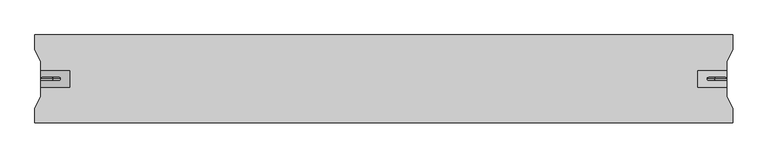
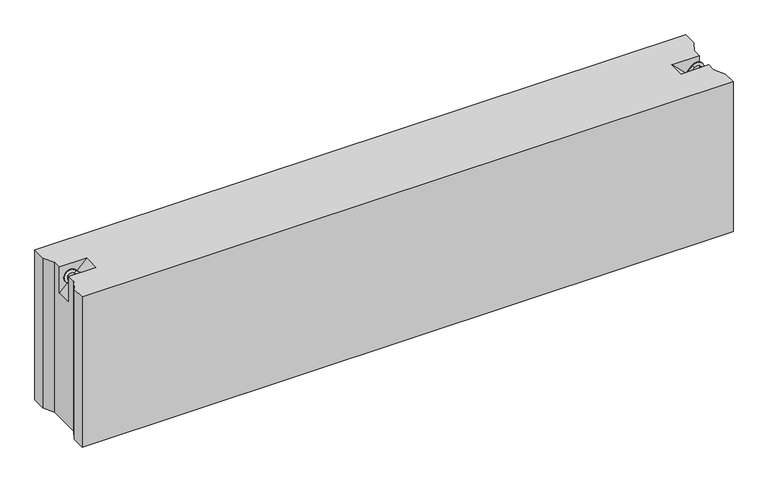
"""IFC4 building model written with IfcOpenShell, lengths in millimetres: proxy geometry."""

from ifc_helpers import new_model, si_unit, point, frame, origin, place, context, project, spatial, circle_curve, ellipse_curve, trimmed, faceted_brep, source, transform, mapped, element, save
from ifc_brep_helpers import plane_surface, cylinder_surface, revolved_surface, advanced_brep


def generic_models_301a7378(model_context):
    return source(origin(), model_context, "Body", "SolidModel", [
        advanced_brep(
        [(2292.3223305, 0.0, 547.6776695), (2299.3933983, 0.0, 540.6066017), (2324.3933983, 0.0, 565.6066017), (2317.3223305, 0.0, 572.6776695), (2345.6066017, 0.0, 544.3933983), (2352.6776695, 0.0, 537.3223305), (2327.6776695, 0.0, 512.3223305), (2320.6066017, 0.0, 519.3933983)],
        [
            (0, 1, circle_curve(frame((2295.8578644, 0.0, 544.1421356), z_axis=(-0.7071067811865482, 0.0, -0.7071067811865468), x_axis=(0.7071067811865468, 0.0, -0.7071067811865482)), 5.0)),
            (1, 0, circle_curve(frame((2295.8578644, 0.0, 544.1421356), z_axis=(-0.7071067811865482, 0.0, -0.7071067811865468), x_axis=(0.7071067811865468, 0.0, -0.7071067811865482)), 5.0)),
            (1, 2),
            (2, 3, circle_curve(frame((2320.8578644, 0.0, 569.1421356), z_axis=(-0.7071067811865482, 0.0, -0.7071067811865468), x_axis=(0.7071067811865468, 0.0, -0.7071067811865482)), 5.0)),
            (3, 0),
            (3, 2, circle_curve(frame((2320.8578644, 0.0, 569.1421356), z_axis=(-0.7071067811865482, 0.0, -0.7071067811865468), x_axis=(0.7071067811865468, 0.0, -0.7071067811865482)), 5.0)),
            (4, 5, circle_curve(frame((2349.1421356, 0.0, 540.8578644), z_axis=(0.7071067811865457, 0.0, 0.7071067811865493), x_axis=(-0.7071067811865493, 0.0, 0.7071067811865457)), 5.0)),
            (5, 3, circle_curve(frame((2335.0, 0.0, 555.0), z_axis=(0.0, -1.0, 0.0), x_axis=(-0.7071067811865468, 0.0, 0.7071067811865482)), 25.0)),
            (2, 4, circle_curve(frame((2335.0, 0.0, 555.0), z_axis=(0.0, 1.0, 0.0), x_axis=(-0.7071067811865468, 0.0, 0.7071067811865482)), 15.0)),
            (5, 4, circle_curve(frame((2349.1421356, 0.0, 540.8578644), z_axis=(0.7071067811865459, 0.0, 0.7071067811865491), x_axis=(-0.7071067811865491, 0.0, 0.7071067811865459)), 5.0)),
            (6, 7, circle_curve(frame((2324.1421356, 0.0, 515.8578644), z_axis=(-0.7071067811865505, 0.0, -0.7071067811865446), x_axis=(-0.7071067811865446, 0.0, 0.7071067811865505)), 5.0)),
            (7, 6, circle_curve(frame((2324.1421356, 0.0, 515.8578644), z_axis=(-0.7071067811865505, 0.0, -0.7071067811865446), x_axis=(-0.7071067811865446, 0.0, 0.7071067811865505)), 5.0)),
            (4, 7),
            (6, 5),
        ],
        [
            plane_surface(frame((2292.3223305, 0.0, 547.6776695), z_axis=(-0.7071067811865482, 0.0, -0.7071067811865468), x_axis=(0.0, -1.0, 0.0))),
            cylinder_surface(frame((2295.8578644, 0.0, 544.1421356), z_axis=(-0.7071067811865482, 0.0, -0.7071067811865468), x_axis=(0.7071067811865468, 0.0, -0.7071067811865482)), 5.0),
            revolved_surface(trimmed(ellipse_curve(frame((2320.8578644, 0.0, 569.1421356), z_axis=(0.7071067811865482, 0.0, 0.7071067811865468), x_axis=(0.7071067811865468, 0.0, -0.7071067811865482)), 5.0, 5.0), [point((2317.3223305, 0.0, 572.6776695))], [point((2324.3933983, 0.0, 565.6066017))], True, "CARTESIAN"), (2335.0, 0.0, 555.0), (0.0, -1.0, 0.0)),
            revolved_surface(trimmed(ellipse_curve(frame((2320.8578644, 0.0, 569.1421356), z_axis=(0.7071067811865482, 0.0, 0.7071067811865468), x_axis=(0.7071067811865468, 0.0, -0.7071067811865482)), 5.0, 5.0), [point((2324.3933983, 0.0, 565.6066017))], [point((2317.3223305, 0.0, 572.6776695))], True, "CARTESIAN"), (2335.0, 0.0, 555.0), (0.0, -1.0, 0.0)),
            plane_surface(frame((2327.6776695, 0.0, 512.3223305), z_axis=(-0.7071067811865505, 0.0, -0.7071067811865446), x_axis=(0.0, -1.0, 0.0))),
            cylinder_surface(frame((2349.1421356, 0.0, 540.8578644), z_axis=(0.7071067811865505, 0.0, 0.7071067811865446), x_axis=(-0.7071067811865446, 0.0, 0.7071067811865505)), 5.0),
        ],
        [
            (0, [[1, 2]]),
            (1, [[3, 4, 5, -2]]),
            (1, [[-5, 6, -3, -1]]),
            (2, [[7, 8, -4, 9]]),
            (3, [[10, -9, -6, -8]]),
            (4, [[11, 12]]),
            (5, [[13, -11, 14, -7]]),
            (5, [[-14, -12, -13, -10]]),
        ],
    ),
        advanced_brep(
        [(87.6776695, 0.0, 547.6776695), (80.6066017, 0.0, 540.6066017), (62.6776695, 0.0, 572.6776695), (55.6066017, 0.0, 565.6066017), (34.3933983, 0.0, 544.3933983), (27.3223305, 0.0, 537.3223305), (52.3223305, 0.0, 512.3223305), (59.3933983, 0.0, 519.3933983)],
        [
            (0, 1, circle_curve(frame((84.1421356, 0.0, 544.1421356), z_axis=(0.707106781186546, 0.0, -0.707106781186549), x_axis=(-0.707106781186549, 0.0, -0.707106781186546)), 5.0)),
            (1, 0, circle_curve(frame((84.1421356, 0.0, 544.1421356), z_axis=(0.707106781186546, 0.0, -0.707106781186549), x_axis=(-0.707106781186549, 0.0, -0.707106781186546)), 5.0)),
            (0, 2),
            (2, 3, circle_curve(frame((59.1421356, 0.0, 569.1421356), z_axis=(0.707106781186546, 0.0, -0.707106781186549), x_axis=(-0.707106781186549, 0.0, -0.707106781186546)), 5.0)),
            (3, 1),
            (3, 2, circle_curve(frame((59.1421356, 0.0, 569.1421356), z_axis=(0.707106781186546, 0.0, -0.707106781186549), x_axis=(-0.707106781186549, 0.0, -0.707106781186546)), 5.0)),
            (4, 3, circle_curve(frame((45.0, 0.0, 555.0), z_axis=(0.0, 1.0, 0.0), x_axis=(0.707106781186549, 0.0, 0.707106781186546)), 15.0)),
            (2, 5, circle_curve(frame((45.0, 0.0, 555.0), z_axis=(0.0, -1.0, 0.0), x_axis=(0.707106781186549, 0.0, 0.707106781186546)), 25.0)),
            (5, 4, circle_curve(frame((30.8578644, 0.0, 540.8578644), z_axis=(-0.7071067811865437, 0.0, 0.7071067811865513), x_axis=(0.7071067811865513, 0.0, 0.7071067811865437)), 5.0)),
            (4, 5, circle_curve(frame((30.8578644, 0.0, 540.8578644), z_axis=(-0.7071067811865437, 0.0, 0.7071067811865513), x_axis=(0.7071067811865513, 0.0, 0.7071067811865437)), 5.0)),
            (6, 7, circle_curve(frame((55.8578644, 0.0, 515.8578644), z_axis=(0.7071067811865482, 0.0, -0.7071067811865468), x_axis=(0.7071067811865468, 0.0, 0.7071067811865482)), 5.0)),
            (7, 6, circle_curve(frame((55.8578644, 0.0, 515.8578644), z_axis=(0.7071067811865482, 0.0, -0.7071067811865468), x_axis=(0.7071067811865468, 0.0, 0.7071067811865482)), 5.0)),
            (5, 6),
            (7, 4),
        ],
        [
            plane_surface(frame((87.6776695, 0.0, 547.6776695), z_axis=(0.707106781186546, 0.0, -0.707106781186549), x_axis=(0.0, -1.0, 0.0))),
            cylinder_surface(frame((84.1421356, 0.0, 544.1421356), z_axis=(0.707106781186546, 0.0, -0.707106781186549), x_axis=(-0.707106781186549, 0.0, -0.707106781186546)), 5.0),
            revolved_surface(trimmed(ellipse_curve(frame((59.1421356, 0.0, 569.1421356), z_axis=(0.707106781186546, 0.0, -0.707106781186549), x_axis=(-0.707106781186549, 0.0, -0.707106781186546)), 5.0, 5.0), [point((62.6776695, 0.0, 572.6776695))], [point((55.6066017, 0.0, 565.6066017))], True, "CARTESIAN"), (45.0, 0.0, 555.0), (0.0, -1.0, 0.0)),
            revolved_surface(trimmed(ellipse_curve(frame((59.1421356, 0.0, 569.1421356), z_axis=(0.707106781186546, 0.0, -0.707106781186549), x_axis=(-0.707106781186549, 0.0, -0.707106781186546)), 5.0, 5.0), [point((55.6066017, 0.0, 565.6066017))], [point((62.6776695, 0.0, 572.6776695))], True, "CARTESIAN"), (45.0, 0.0, 555.0), (0.0, -1.0, 0.0)),
            plane_surface(frame((52.3223305, 0.0, 512.3223305), z_axis=(0.7071067811865482, 0.0, -0.7071067811865468), x_axis=(0.0, -1.0, 0.0))),
            cylinder_surface(frame((30.8578644, 0.0, 540.8578644), z_axis=(-0.7071067811865482, 0.0, 0.7071067811865468), x_axis=(0.7071067811865468, 0.0, 0.7071067811865482)), 5.0),
        ],
        [
            (0, [[1, 2]]),
            (1, [[-1, 3, 4, 5]]),
            (1, [[-2, -5, 6, -3]]),
            (2, [[7, -4, 8, 9]]),
            (3, [[-8, -6, -7, 10]]),
            (4, [[11, 12]]),
            (5, [[-9, 13, -12, 14]]),
            (5, [[-10, -14, -11, -13]]),
        ],
    ),
        faceted_brep([(2380.0, 150.0, 580.0), (0.0, 150.0, 580.0), (0.0, 100.0, 580.0), (20.0, 60.0, 580.0), (20.0, 30.0, 580.0), (120.0, 30.0, 580.0), (120.0, -30.0, 580.0), (20.0, -30.0, 580.0), (20.0, -60.0, 580.0), (0.0, -100.0, 580.0), (0.0, -150.0, 580.0), (2380.0, -150.0, 580.0), (2380.0, -100.0, 580.0), (2360.0, -60.0, 580.0), (2360.0, -30.0, 580.0), (2260.0, -30.0, 580.0), (2260.0, 30.0, 580.0), (2360.0, 30.0, 580.0), (2360.0, 60.0, 580.0), (2380.0, 100.0, 580.0), (2380.0, 150.0, 0.0), (2380.0, 100.0, 0.0), (2360.0, 60.0, 0.0), (2360.0, -60.0, 0.0), (2380.0, -100.0, 0.0), (2380.0, -150.0, 0.0), (0.0, -150.0, 0.0), (0.0, -100.0, 0.0), (20.0, -60.0, 0.0), (20.0, 60.0, 0.0), (0.0, 100.0, 0.0), (0.0, 150.0, 0.0), (20.0, -30.0, 480.0), (20.0, 30.0, 480.0), (2360.0, 30.0, 480.0), (2360.0, -30.0, 480.0)], [[[0, 1, 2, 3, 4, 5, 6, 7, 8, 9, 10, 11, 12, 13, 14, 15, 16, 17, 18, 19]], [[20, 21, 22, 23, 24, 25, 26, 27, 28, 29, 30, 31]], [[1, 0, 20, 31]], [[10, 9, 27, 26]], [[11, 10, 26, 25]], [[0, 19, 21, 20]], [[2, 1, 31, 30]], [[3, 2, 30, 29]], [[29, 28, 8, 7, 32, 33, 4, 3]], [[9, 8, 28, 27]], [[12, 11, 25, 24]], [[13, 12, 24, 23]], [[23, 22, 18, 17, 34, 35, 14, 13]], [[19, 18, 22, 21]], [[6, 32, 7]], [[35, 15, 14]], [[33, 5, 4]], [[16, 34, 17]], [[32, 6, 5, 33]], [[15, 35, 34, 16]]]),
    ])


if __name__ == "__main__":
    model = new_model("IFC4")
    model_context = context("Model", 3, world=origin())
    ifc_project = project(units=[si_unit("LENGTHUNIT", "METRE", prefix="MILLI")], contexts=[model_context])
    site = spatial("IfcSite", under=ifc_project)
    building = spatial("IfcBuilding", under=site)
    placement = place(None, origin())
    generic_models_shape = generic_models_301a7378(model_context)
    element("IfcBuildingElementProxy", 1, Name="Generic Models", at=placement, inside=building, context=model_context, shape_type="MappedRepresentation", body=[
        mapped(generic_models_shape, transform((0.0, 0.0, 0.0), x_axis=(1.0, 0.0, 0.0), y_axis=(0.0, 1.0, 0.0), z_axis=(0.0, 0.0, 1.0))),
    ])
    save(model, "model.ifc")
